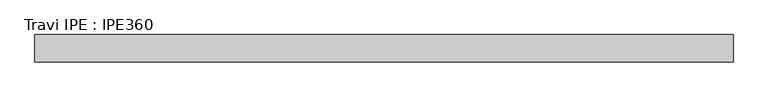
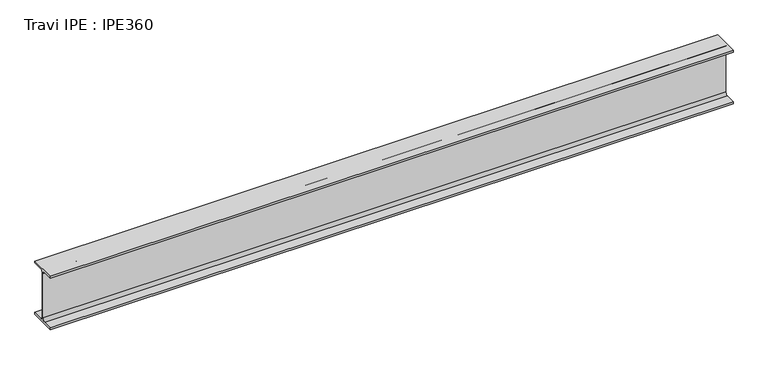
"""IFC4 building model written with IfcOpenShell, lengths in millimetres: beam geometry, Travi IPE : IPE360."""

import ifcopenshell
import ifcopenshell.guid

model = None  # the IFC model being written
_history = None  # IfcOwnerHistory: only IFC2X3 demands one
_inside = {}  # id of a spatial element -> (the spatial element, [elements in it])
_under = {}  # id of a project, library or spatial element -> (it, [spatial elements below it])
_declared = {}  # id of a project -> (the project, [libraries it declares])
_typed = {}  # id of a type object -> (the type object, [elements of that type])
_made_of = {}  # id of a material, layer set ... -> (it, [elements and type objects made of it])


def new_model(schema):
    """Start an empty IFC model of exactly this schema.

    Asked for "IFC4X3", IfcOpenShell would pick the latest addendum, in which some entities
    have other attributes; the version numbers below select the first issue.
    IFC2X3 requires an IfcOwnerHistory on every rooted entity: one is made here for all.
    """
    global model, _history
    if schema == "IFC4X3":
        model = ifcopenshell.file(schema_version=(4, 3, 0, 0))
    else:
        model = ifcopenshell.file(schema=schema)
    _inside.clear()
    _under.clear()
    _declared.clear()
    _typed.clear()
    _made_of.clear()
    _history = None
    if model.schema == "IFC2X3":
        org = make("IfcOrganization", Name="unknown")
        user = make(
            "IfcPersonAndOrganization",
            ThePerson=make("IfcPerson", FamilyName="unknown"),
            TheOrganization=org,
        )
        app = make(
            "IfcApplication",
            ApplicationDeveloper=org,
            Version="unknown",
            ApplicationFullName="unknown",
            ApplicationIdentifier="unknown",
        )
        _history = make(
            "IfcOwnerHistory",
            OwningUser=user,
            OwningApplication=app,
            ChangeAction="ADDED",
            CreationDate=0,
        )
    return model


def make(cls, **values):
    """One entity of the class cls with the attributes given. An attribute that is None is left unset."""
    return model.create_entity(
        cls, **{name: value for name, value in values.items() if value is not None}
    )


def rooted(cls, **values):
    """An entity with a GlobalId (a new one), such as an element, a storey or a relation."""
    return make(cls, GlobalId=ifcopenshell.guid.new(), OwnerHistory=_history, **values)


def si_unit(unit_type, name, prefix=None):
    """IfcSIUnit, for example si_unit("LENGTHUNIT", "METRE", prefix="MILLI")."""
    return make("IfcSIUnit", UnitType=unit_type, Prefix=prefix, Name=name)


def assignment(units):
    """IfcUnitAssignment: the units of a project."""
    return None if units is None else make("IfcUnitAssignment", Units=units)


def point(xyz):
    """IfcCartesianPoint."""
    return None if xyz is None else make("IfcCartesianPoint", Coordinates=xyz)


def direction(xyz):
    """IfcDirection."""
    return None if xyz is None else make("IfcDirection", DirectionRatios=xyz)


def frame(location, z_axis=None, x_axis=None):
    """IfcAxis2Placement3D, a coordinate frame: its origin and axes. An axis left out is left unset."""
    return make(
        "IfcAxis2Placement3D",
        Location=point(location),
        Axis=direction(z_axis),
        RefDirection=direction(x_axis),
    )


def frame_2d(location, x_axis=None):
    """IfcAxis2Placement2D, a coordinate frame in the plane: its origin and x axis."""
    return make(
        "IfcAxis2Placement2D", Location=point(location), RefDirection=direction(x_axis)
    )


def origin():
    """The frame at (0, 0, 0) with its axes left unset."""
    return frame((0.0, 0.0, 0.0))


def place(relative_to, where):
    """IfcLocalPlacement: puts the frame where relative to a parent placement (None: the world)."""
    return make(
        "IfcLocalPlacement", PlacementRelTo=relative_to, RelativePlacement=where
    )


def context(
    kind, dimensions, precision=None, world=None, true_north=None, identifier=None
):
    """IfcGeometricRepresentationContext, for example the 3D "Model" context."""
    return make(
        "IfcGeometricRepresentationContext",
        ContextIdentifier=identifier,
        ContextType=kind,
        CoordinateSpaceDimension=dimensions,
        Precision=precision,
        WorldCoordinateSystem=world,
        TrueNorth=true_north,
    )


def project(units=None, contexts=None):
    """IfcProject with its units and contexts."""
    return rooted(
        "IfcProject",
        Name="project",
        RepresentationContexts=contexts,
        UnitsInContext=assignment(units),
    )


def spatial(cls, under=None, at=None, **own):
    """A site, building, storey or space (cls), placed at a placement, below another one or the project."""
    s = rooted(cls, ObjectPlacement=at, **own)
    if under is not None:
        _under.setdefault(under.id(), (under, []))[1].append(s)
    return s


def polyline(points):
    """IfcPolyline through the points."""
    return make("IfcPolyline", Points=[point(p) for p in points])


def circle_curve(where, radius):
    """IfcCircle in the frame where."""
    return make("IfcCircle", Position=where, Radius=radius)


def trimmed(basis, trim1, trim2, sense, master):
    """IfcTrimmedCurve: the piece of a basis curve between two trims."""
    return make(
        "IfcTrimmedCurve",
        BasisCurve=basis,
        Trim1=trim1,
        Trim2=trim2,
        SenseAgreement=sense,
        MasterRepresentation=master,
    )


def segment(curve, same_sense, transition):
    """IfcCompositeCurveSegment."""
    return make(
        "IfcCompositeCurveSegment",
        Transition=transition,
        SameSense=same_sense,
        ParentCurve=curve,
    )


def composite_curve(segments, self_intersect=None):
    """IfcCompositeCurve: segments joined end to end."""
    return make("IfcCompositeCurve", Segments=segments, SelfIntersect=self_intersect)


def outline(outer, holes=None, kind="AREA"):
    """IfcArbitraryClosedProfileDef: a profile drawn as a closed curve; with holes, ...WithVoids."""
    if holes is None:
        return make("IfcArbitraryClosedProfileDef", ProfileType=kind, OuterCurve=outer)
    return make(
        "IfcArbitraryProfileDefWithVoids",
        ProfileType=kind,
        OuterCurve=outer,
        InnerCurves=holes,
    )


def extrude(swept, where, along, depth):
    """IfcExtrudedAreaSolid: the profile swept, set in the frame where, extruded along a direction by depth."""
    return make(
        "IfcExtrudedAreaSolid",
        SweptArea=swept,
        Position=where,
        ExtrudedDirection=direction(along),
        Depth=depth,
    )


def shape(context_of_items, identifier, shape_type, items):
    """IfcShapeRepresentation: the items that make up one representation, for example the "Body"."""
    return make(
        "IfcShapeRepresentation",
        ContextOfItems=context_of_items,
        RepresentationIdentifier=identifier,
        RepresentationType=shape_type,
        Items=items,
    )


def source(mapping_origin, context_of_items, identifier, shape_type, items):
    """IfcRepresentationMap: a shape defined once, which mapped items show again and again."""
    return make(
        "IfcRepresentationMap",
        MappingOrigin=mapping_origin,
        MappedRepresentation=shape(context_of_items, identifier, shape_type, items),
    )


def transform(
    local_origin,
    x_axis=None,
    y_axis=None,
    z_axis=None,
    scale=None,
    scale2=None,
    scale3=None,
    uniform=True,
):
    """IfcCartesianTransformationOperator3D, or its non-uniform kind. x_axis, y_axis, z_axis: its Axis1, 2, 3."""
    if uniform:
        return make(
            "IfcCartesianTransformationOperator3D",
            Axis1=direction(x_axis),
            Axis2=direction(y_axis),
            LocalOrigin=point(local_origin),
            Scale=scale,
            Axis3=direction(z_axis),
        )
    return make(
        "IfcCartesianTransformationOperator3DnonUniform",
        Axis1=direction(x_axis),
        Axis2=direction(y_axis),
        LocalOrigin=point(local_origin),
        Scale=scale,
        Axis3=direction(z_axis),
        Scale2=scale2,
        Scale3=scale3,
    )


def mapped(mapping_source, mapping_target):
    """IfcMappedItem: shows the shape of a source again, moved by a transform."""
    return make(
        "IfcMappedItem", MappingSource=mapping_source, MappingTarget=mapping_target
    )


def made_of(thing, what):
    """Note that an element or type object is made of a material, layer set ...; save() writes the relation."""
    if what is not None:
        _made_of.setdefault(what.id(), (what, []))[1].append(thing)
    return thing


def element(
    cls,
    number,
    at=None,
    inside=None,
    cuts=None,
    type_object=None,
    material=None,
    context=None,
    identifier="Body",
    shape_type=None,
    held_by="IfcProductDefinitionShape",
    body=None,
    shapes=None,
    **own,
):
    """One element of the class cls, such as IfcWall. Its Tag is "e" and its number.

    at: its placement. inside: the storey or other place that contains it. cuts: it is an
    opening in that element (IfcRelVoidsElement). A single representation is given by context,
    identifier, shape_type and body (its items); several are given by shapes. held_by: the class
    of the entity that holds the representations. save() writes the other relations.
    """
    e = rooted(cls, Tag="e%d" % number, ObjectPlacement=at, **own)
    if body is not None:
        shapes = [shape(context, identifier, shape_type, body)]
    if shapes is not None:
        e.Representation = make(held_by, Representations=shapes)
    if inside is not None:
        _inside.setdefault(inside.id(), (inside, []))[1].append(e)
    if cuts is not None:
        rooted(
            "IfcRelVoidsElement", RelatingBuildingElement=cuts, RelatedOpeningElement=e
        )
    if type_object is not None:
        _typed.setdefault(type_object.id(), (type_object, []))[1].append(e)
    return made_of(e, material)


def aggregate(whole, parts):
    """IfcRelAggregates: a whole, such as a stair, and the parts it consists of."""
    return rooted("IfcRelAggregates", RelatingObject=whole, RelatedObjects=parts)


def save(model, path):
    """Write the relations noted so far, then the file.

    IfcRelAggregates (storeys below a building ...), IfcRelContainedInSpatialStructure (elements
    in a storey), IfcRelDefinesByType, IfcRelAssociatesMaterial and IfcRelDeclares: one each for
    every whole, place, type object, material and project.
    """
    for whole, parts in _under.values():
        aggregate(whole, parts)
    for where, things in _inside.values():
        rooted(
            "IfcRelContainedInSpatialStructure",
            RelatedElements=things,
            RelatingStructure=where,
        )
    for kind, things in _typed.values():
        rooted("IfcRelDefinesByType", RelatedObjects=things, RelatingType=kind)
    for what, things in _made_of.values():
        rooted("IfcRelAssociatesMaterial", RelatedObjects=things, RelatingMaterial=what)
    for by, libraries in _declared.values():
        rooted("IfcRelDeclares", RelatingContext=by, RelatedDefinitions=libraries)
    model.write(path)


def travi_ipe_ipe360_a1bcee90(model_context):
    return source(origin(), model_context, "Body", "SweptSolid", [
        extrude(outline(composite_curve([segment(polyline([(85.0, -167.3), (85.0, -180.0), (-85.0, -180.0), (-85.0, -167.3), (-22.0, -167.3)]), True, "CONTINUOUS"), segment(trimmed(circle_curve(frame_2d((-22.0, -149.3)), 18.0), [point((-22.0, -167.3))], [point((-4.0, -149.3))], True, "CARTESIAN"), True, "CONTINUOUS"), segment(polyline([(-4.0, -149.3), (-4.0, 149.3)]), True, "CONTINUOUS"), segment(trimmed(circle_curve(frame_2d((-22.0, 149.3)), 18.0), [point((-4.0, 149.3))], [point((-22.0, 167.3))], True, "CARTESIAN"), True, "CONTINUOUS"), segment(polyline([(-22.0, 167.3), (-85.0, 167.3), (-85.0, 180.0), (85.0, 180.0), (85.0, 167.3), (22.0, 167.3)]), True, "CONTINUOUS"), segment(trimmed(circle_curve(frame_2d((22.0, 149.3)), 18.0), [point((22.0, 167.3))], [point((4.0, 149.3))], True, "CARTESIAN"), True, "CONTINUOUS"), segment(polyline([(4.0, 149.3), (4.0, -149.3)]), True, "CONTINUOUS"), segment(trimmed(circle_curve(frame_2d((22.0, -149.3)), 18.0), [point((4.0, -149.3))], [point((22.0, -167.3))], True, "CARTESIAN"), True, "CONTINUOUS"), segment(polyline([(22.0, -167.3), (85.0, -167.3)]), True, "CONTINUOUS")], self_intersect=False)), frame((-2178.0, 0.0, 0.0), z_axis=(1.0, 0.0, 0.0), x_axis=(0.0, 1.0, 0.0)), (0.0, 0.0, 1.0), 4358.0),
    ])


if __name__ == "__main__":
    model = new_model("IFC4")
    model_context = context("Model", 3, world=origin())
    ifc_project = project(units=[si_unit("LENGTHUNIT", "METRE", prefix="MILLI")], contexts=[model_context])
    site = spatial("IfcSite", under=ifc_project)
    building = spatial("IfcBuilding", under=site)
    placement = place(None, origin())
    travi_ipe_ipe360_shape = travi_ipe_ipe360_a1bcee90(model_context)
    element("IfcBeam", 1, ObjectType="Travi IPE : IPE360", at=placement, inside=building, context=model_context, shape_type="MappedRepresentation", body=[
        mapped(travi_ipe_ipe360_shape, transform((0.0, 0.0, 0.0), x_axis=(1.0, 0.0, 0.0), y_axis=(0.0, 1.0, 0.0), z_axis=(0.0, 0.0, 1.0))),
    ])
    save(model, "model.ifc")
